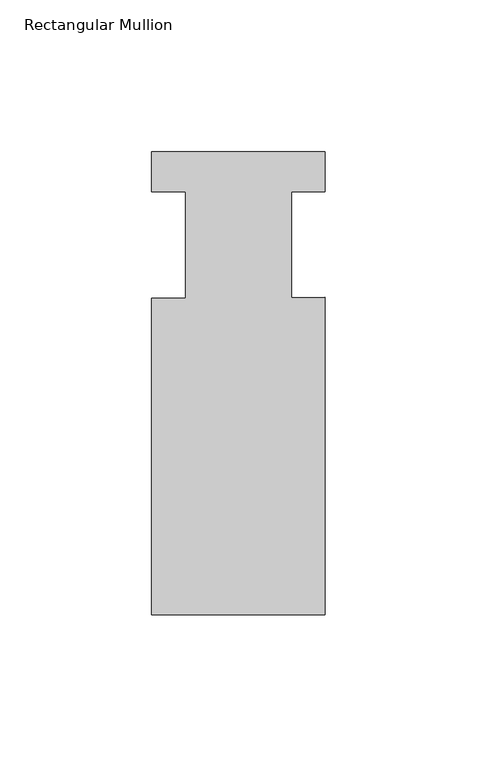
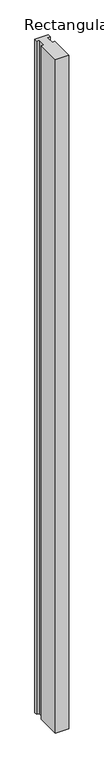
"""IFC4 building model written with IfcOpenShell, lengths in millimetres: member geometry, Rectangular Mullion."""

from ifc_helpers import new_model, si_unit, frame, origin, place, context, project, spatial, polyline, outline, extrude, source, transform, mapped, element, save


def rectangular_mullion_ac18364a(model_context):
    return source(origin(), model_context, "Body", "SweptSolid", [
        extrude(outline(polyline([(-57.15, -76.2), (-57.15, 28.0416), (-46.0375, 28.0416), (-46.0375, 63.0047), (-57.15, 63.0047), (-57.15, 76.2), (0.0, 76.2), (0.0, 63.0047), (-11.1125, 63.0047), (-11.1125, 28.1645071), (0.0, 28.2698389), (0.0, -76.2), (-57.15, -76.2)])), frame((0.0, 0.0, -3048.0), z_axis=(0.0, 0.0, 1.0), x_axis=(1.0, 0.0, 0.0)), (0.0, 0.0, 1.0), 3048.0),
    ])


if __name__ == "__main__":
    model = new_model("IFC4")
    model_context = context("Model", 3, world=origin())
    ifc_project = project(units=[si_unit("LENGTHUNIT", "METRE", prefix="MILLI")], contexts=[model_context])
    site = spatial("IfcSite", under=ifc_project)
    building = spatial("IfcBuilding", under=site)
    placement = place(None, origin())
    rectangular_mullion_shape = rectangular_mullion_ac18364a(model_context)
    element("IfcMember", 1, ObjectType="Rectangular Mullion", at=placement, inside=building, context=model_context, shape_type="MappedRepresentation", body=[
        mapped(rectangular_mullion_shape, transform((0.0, 0.0, 0.0), x_axis=(1.0, 0.0, 0.0), y_axis=(0.0, 1.0, 0.0), z_axis=(0.0, 0.0, 1.0))),
    ])
    save(model, "model.ifc")
